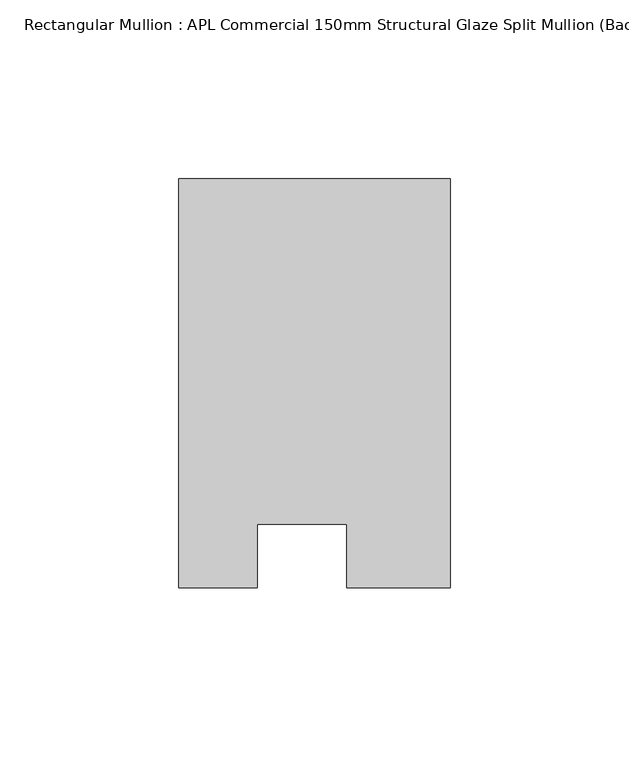
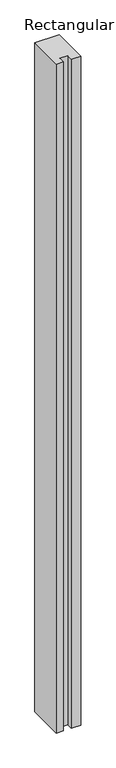
"""IFC4 building model written with IfcOpenShell, lengths in millimetres: member geometry, Rectangular Mullion : APL Commercial 150mm Structural Glaze Split Mullion (Back)."""

from ifc_helpers import new_model, si_unit, frame, origin, place, context, project, spatial, polyline, outline, extrude, source, transform, mapped, element, save


def rectangular_mullion_apl_commercial_150mm_structural_glaze_1224cb8c(model_context):
    return source(origin(), model_context, "Body", "SweptSolid", [
        extrude(outline(polyline([(37.9999914, 129.5195626), (37.9999914, 14.9960123), (9.0, 14.9960123), (9.0, 32.7960123), (-16.0, 32.7960123), (-16.0, 14.9960123), (-37.9999896, 14.9960123), (-37.9999896, 129.5195626), (37.9999914, 129.5195626)])), frame((0.0, 0.0, -2200.0), z_axis=(0.0, 0.0, 1.0), x_axis=(1.0, 0.0, 0.0)), (0.0, 0.0, 1.0), 2200.0),
    ])


if __name__ == "__main__":
    model = new_model("IFC4")
    model_context = context("Model", 3, world=origin())
    ifc_project = project(units=[si_unit("LENGTHUNIT", "METRE", prefix="MILLI")], contexts=[model_context])
    site = spatial("IfcSite", under=ifc_project)
    building = spatial("IfcBuilding", under=site)
    placement = place(None, origin())
    rectangular_mullion_apl_commercial_150mm_structural_glaze_shape = rectangular_mullion_apl_commercial_150mm_structural_glaze_1224cb8c(model_context)
    element("IfcMember", 1, ObjectType="Rectangular Mullion : APL Commercial 150mm Structural Glaze Split Mullion (Back)", at=placement, inside=building, context=model_context, shape_type="MappedRepresentation", body=[
        mapped(rectangular_mullion_apl_commercial_150mm_structural_glaze_shape, transform((0.0, 0.0, 0.0), x_axis=(1.0, 0.0, 0.0), y_axis=(0.0, 1.0, 0.0), z_axis=(0.0, 0.0, 1.0))),
    ])
    save(model, "model.ifc")
